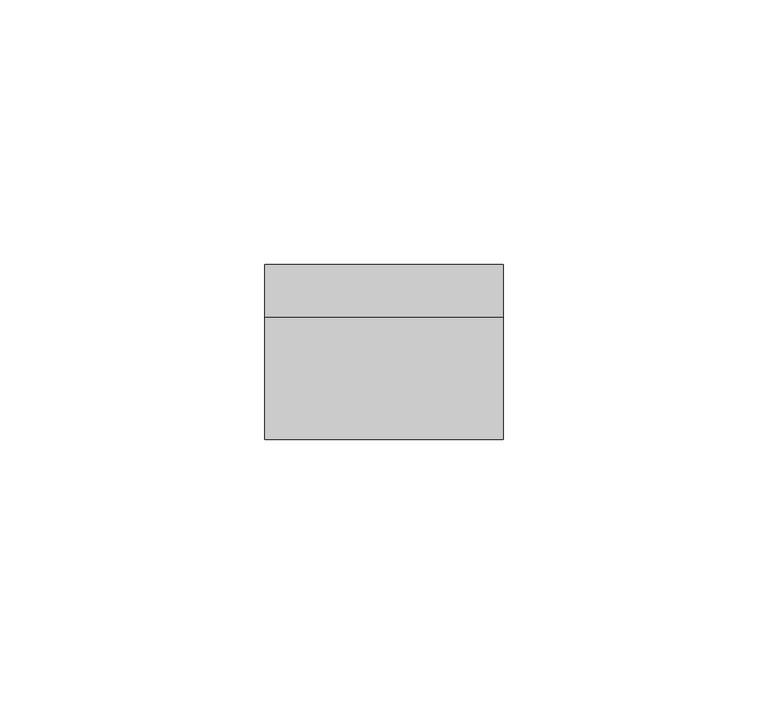
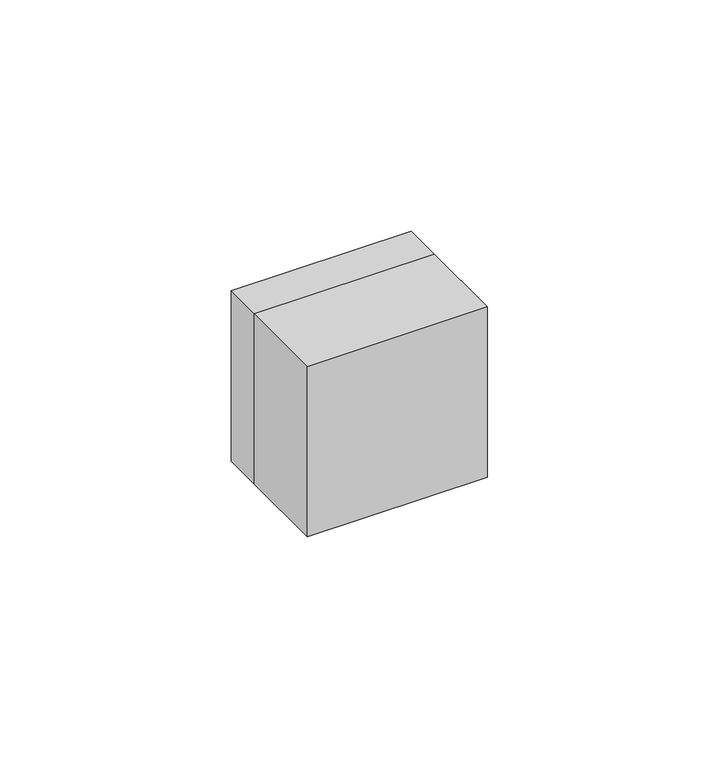
"""IFC4 building model written with IfcOpenShell, lengths in millimetres: electric appliance geometry."""

import ifcopenshell
import ifcopenshell.guid

model = None  # the IFC model being written
_history = None  # IfcOwnerHistory: only IFC2X3 demands one
_inside = {}  # id of a spatial element -> (the spatial element, [elements in it])
_under = {}  # id of a project, library or spatial element -> (it, [spatial elements below it])
_declared = {}  # id of a project -> (the project, [libraries it declares])
_typed = {}  # id of a type object -> (the type object, [elements of that type])
_made_of = {}  # id of a material, layer set ... -> (it, [elements and type objects made of it])


def new_model(schema):
    """Start an empty IFC model of exactly this schema.

    Asked for "IFC4X3", IfcOpenShell would pick the latest addendum, in which some entities
    have other attributes; the version numbers below select the first issue.
    IFC2X3 requires an IfcOwnerHistory on every rooted entity: one is made here for all.
    """
    global model, _history
    if schema == "IFC4X3":
        model = ifcopenshell.file(schema_version=(4, 3, 0, 0))
    else:
        model = ifcopenshell.file(schema=schema)
    _inside.clear()
    _under.clear()
    _declared.clear()
    _typed.clear()
    _made_of.clear()
    _history = None
    if model.schema == "IFC2X3":
        org = make("IfcOrganization", Name="unknown")
        user = make(
            "IfcPersonAndOrganization",
            ThePerson=make("IfcPerson", FamilyName="unknown"),
            TheOrganization=org,
        )
        app = make(
            "IfcApplication",
            ApplicationDeveloper=org,
            Version="unknown",
            ApplicationFullName="unknown",
            ApplicationIdentifier="unknown",
        )
        _history = make(
            "IfcOwnerHistory",
            OwningUser=user,
            OwningApplication=app,
            ChangeAction="ADDED",
            CreationDate=0,
        )
    return model


def make(cls, **values):
    """One entity of the class cls with the attributes given. An attribute that is None is left unset."""
    return model.create_entity(
        cls, **{name: value for name, value in values.items() if value is not None}
    )


def rooted(cls, **values):
    """An entity with a GlobalId (a new one), such as an element, a storey or a relation."""
    return make(cls, GlobalId=ifcopenshell.guid.new(), OwnerHistory=_history, **values)


def si_unit(unit_type, name, prefix=None):
    """IfcSIUnit, for example si_unit("LENGTHUNIT", "METRE", prefix="MILLI")."""
    return make("IfcSIUnit", UnitType=unit_type, Prefix=prefix, Name=name)


def assignment(units):
    """IfcUnitAssignment: the units of a project."""
    return None if units is None else make("IfcUnitAssignment", Units=units)


def point(xyz):
    """IfcCartesianPoint."""
    return None if xyz is None else make("IfcCartesianPoint", Coordinates=xyz)


def direction(xyz):
    """IfcDirection."""
    return None if xyz is None else make("IfcDirection", DirectionRatios=xyz)


def frame(location, z_axis=None, x_axis=None):
    """IfcAxis2Placement3D, a coordinate frame: its origin and axes. An axis left out is left unset."""
    return make(
        "IfcAxis2Placement3D",
        Location=point(location),
        Axis=direction(z_axis),
        RefDirection=direction(x_axis),
    )


def origin():
    """The frame at (0, 0, 0) with its axes left unset."""
    return frame((0.0, 0.0, 0.0))


def place(relative_to, where):
    """IfcLocalPlacement: puts the frame where relative to a parent placement (None: the world)."""
    return make(
        "IfcLocalPlacement", PlacementRelTo=relative_to, RelativePlacement=where
    )


def context(
    kind, dimensions, precision=None, world=None, true_north=None, identifier=None
):
    """IfcGeometricRepresentationContext, for example the 3D "Model" context."""
    return make(
        "IfcGeometricRepresentationContext",
        ContextIdentifier=identifier,
        ContextType=kind,
        CoordinateSpaceDimension=dimensions,
        Precision=precision,
        WorldCoordinateSystem=world,
        TrueNorth=true_north,
    )


def project(units=None, contexts=None):
    """IfcProject with its units and contexts."""
    return rooted(
        "IfcProject",
        Name="project",
        RepresentationContexts=contexts,
        UnitsInContext=assignment(units),
    )


def spatial(cls, under=None, at=None, **own):
    """A site, building, storey or space (cls), placed at a placement, below another one or the project."""
    s = rooted(cls, ObjectPlacement=at, **own)
    if under is not None:
        _under.setdefault(under.id(), (under, []))[1].append(s)
    return s


def polyline(points):
    """IfcPolyline through the points."""
    return make("IfcPolyline", Points=[point(p) for p in points])


def outline(outer, holes=None, kind="AREA"):
    """IfcArbitraryClosedProfileDef: a profile drawn as a closed curve; with holes, ...WithVoids."""
    if holes is None:
        return make("IfcArbitraryClosedProfileDef", ProfileType=kind, OuterCurve=outer)
    return make(
        "IfcArbitraryProfileDefWithVoids",
        ProfileType=kind,
        OuterCurve=outer,
        InnerCurves=holes,
    )


def extrude(swept, where, along, depth):
    """IfcExtrudedAreaSolid: the profile swept, set in the frame where, extruded along a direction by depth."""
    return make(
        "IfcExtrudedAreaSolid",
        SweptArea=swept,
        Position=where,
        ExtrudedDirection=direction(along),
        Depth=depth,
    )


def shape(context_of_items, identifier, shape_type, items):
    """IfcShapeRepresentation: the items that make up one representation, for example the "Body"."""
    return make(
        "IfcShapeRepresentation",
        ContextOfItems=context_of_items,
        RepresentationIdentifier=identifier,
        RepresentationType=shape_type,
        Items=items,
    )


def source(mapping_origin, context_of_items, identifier, shape_type, items):
    """IfcRepresentationMap: a shape defined once, which mapped items show again and again."""
    return make(
        "IfcRepresentationMap",
        MappingOrigin=mapping_origin,
        MappedRepresentation=shape(context_of_items, identifier, shape_type, items),
    )


def transform(
    local_origin,
    x_axis=None,
    y_axis=None,
    z_axis=None,
    scale=None,
    scale2=None,
    scale3=None,
    uniform=True,
):
    """IfcCartesianTransformationOperator3D, or its non-uniform kind. x_axis, y_axis, z_axis: its Axis1, 2, 3."""
    if uniform:
        return make(
            "IfcCartesianTransformationOperator3D",
            Axis1=direction(x_axis),
            Axis2=direction(y_axis),
            LocalOrigin=point(local_origin),
            Scale=scale,
            Axis3=direction(z_axis),
        )
    return make(
        "IfcCartesianTransformationOperator3DnonUniform",
        Axis1=direction(x_axis),
        Axis2=direction(y_axis),
        LocalOrigin=point(local_origin),
        Scale=scale,
        Axis3=direction(z_axis),
        Scale2=scale2,
        Scale3=scale3,
    )


def mapped(mapping_source, mapping_target):
    """IfcMappedItem: shows the shape of a source again, moved by a transform."""
    return make(
        "IfcMappedItem", MappingSource=mapping_source, MappingTarget=mapping_target
    )


def made_of(thing, what):
    """Note that an element or type object is made of a material, layer set ...; save() writes the relation."""
    if what is not None:
        _made_of.setdefault(what.id(), (what, []))[1].append(thing)
    return thing


def element(
    cls,
    number,
    at=None,
    inside=None,
    cuts=None,
    type_object=None,
    material=None,
    context=None,
    identifier="Body",
    shape_type=None,
    held_by="IfcProductDefinitionShape",
    body=None,
    shapes=None,
    **own,
):
    """One element of the class cls, such as IfcWall. Its Tag is "e" and its number.

    at: its placement. inside: the storey or other place that contains it. cuts: it is an
    opening in that element (IfcRelVoidsElement). A single representation is given by context,
    identifier, shape_type and body (its items); several are given by shapes. held_by: the class
    of the entity that holds the representations. save() writes the other relations.
    """
    e = rooted(cls, Tag="e%d" % number, ObjectPlacement=at, **own)
    if body is not None:
        shapes = [shape(context, identifier, shape_type, body)]
    if shapes is not None:
        e.Representation = make(held_by, Representations=shapes)
    if inside is not None:
        _inside.setdefault(inside.id(), (inside, []))[1].append(e)
    if cuts is not None:
        rooted(
            "IfcRelVoidsElement", RelatingBuildingElement=cuts, RelatedOpeningElement=e
        )
    if type_object is not None:
        _typed.setdefault(type_object.id(), (type_object, []))[1].append(e)
    return made_of(e, material)


def aggregate(whole, parts):
    """IfcRelAggregates: a whole, such as a stair, and the parts it consists of."""
    return rooted("IfcRelAggregates", RelatingObject=whole, RelatedObjects=parts)


def save(model, path):
    """Write the relations noted so far, then the file.

    IfcRelAggregates (storeys below a building ...), IfcRelContainedInSpatialStructure (elements
    in a storey), IfcRelDefinesByType, IfcRelAssociatesMaterial and IfcRelDeclares: one each for
    every whole, place, type object, material and project.
    """
    for whole, parts in _under.values():
        aggregate(whole, parts)
    for where, things in _inside.values():
        rooted(
            "IfcRelContainedInSpatialStructure",
            RelatedElements=things,
            RelatingStructure=where,
        )
    for kind, things in _typed.values():
        rooted("IfcRelDefinesByType", RelatedObjects=things, RelatingType=kind)
    for what, things in _made_of.values():
        rooted("IfcRelAssociatesMaterial", RelatedObjects=things, RelatingMaterial=what)
    for by, libraries in _declared.values():
        rooted("IfcRelDeclares", RelatingContext=by, RelatedDefinitions=libraries)
    model.write(path)


def electric_appliance_b33a65ee(model_context):
    return source(origin(), model_context, "Body", "SweptSolid", [
        extrude(outline(polyline([(22.5, -23.0), (-22.5, -23.0), (-22.5, 0.0), (22.5, 0.0), (22.5, -23.0)])), frame((0.0, 0.0, -22.5), z_axis=(0.0, 0.0, 1.0), x_axis=(1.0, 0.0, 0.0)), (0.0, 0.0, 1.0), 45.0),
        extrude(outline(polyline([(22.5, 22.5), (22.5, -22.5), (-22.5, -22.5), (-22.5, 22.5), (22.5, 22.5)]), holes=[polyline([(-0.5464825, -7.0), (2.275, -7.0), (2.275, 7.0), (-0.5464825, 7.0), (-2.275, 5.0115681), (-2.275, -5.0115681), (-0.5464825, -7.0)])]), frame((0.0, 0.0, 0.0), z_axis=(0.0, 1.0, 0.0), x_axis=(0.0, 0.0, 1.0)), (0.0, 0.0, 1.0), 10.0),
        extrude(outline(polyline([(5.398209, 0.0), (-5.398209, 0.0), (-5.398209, 10.0), (5.398209, 10.0), (5.398209, 0.0)])), frame((0.0, 0.0, -0.5), z_axis=(0.0, 0.0, 1.0), x_axis=(1.0, 0.0, 0.0)), (0.0, 0.0, 1.0), 1.0),
    ])


if __name__ == "__main__":
    model = new_model("IFC4")
    model_context = context("Model", 3, world=origin())
    ifc_project = project(units=[si_unit("LENGTHUNIT", "METRE", prefix="MILLI")], contexts=[model_context])
    site = spatial("IfcSite", under=ifc_project)
    building = spatial("IfcBuilding", under=site)
    placement = place(None, origin())
    electric_appliance_shape = electric_appliance_b33a65ee(model_context)
    element("IfcElectricAppliance", 1, at=placement, inside=building, context=model_context, shape_type="MappedRepresentation", body=[
        mapped(electric_appliance_shape, transform((0.0, 0.0, 0.0), x_axis=(1.0, 0.0, 0.0), y_axis=(0.0, 1.0, 0.0), z_axis=(0.0, 0.0, 1.0))),
    ])
    save(model, "model.ifc")
